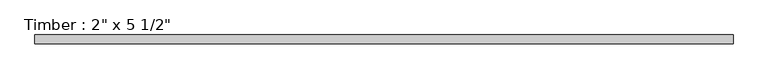
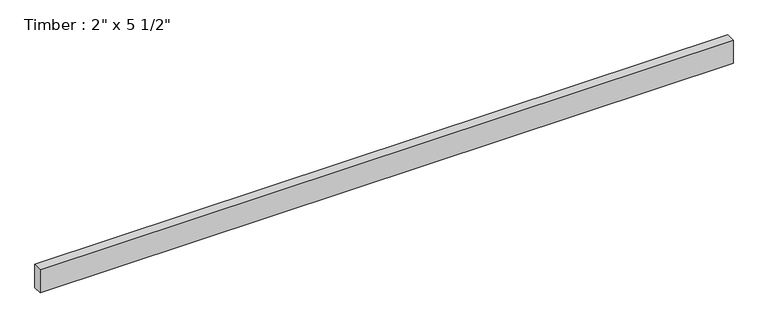
"""IFC4 building model written with IfcOpenShell, lengths in millimetres: beam geometry."""

import ifcopenshell
import ifcopenshell.guid

model = None  # the IFC model being written
_history = None  # IfcOwnerHistory: only IFC2X3 demands one
_inside = {}  # id of a spatial element -> (the spatial element, [elements in it])
_under = {}  # id of a project, library or spatial element -> (it, [spatial elements below it])
_declared = {}  # id of a project -> (the project, [libraries it declares])
_typed = {}  # id of a type object -> (the type object, [elements of that type])
_made_of = {}  # id of a material, layer set ... -> (it, [elements and type objects made of it])


def new_model(schema):
    """Start an empty IFC model of exactly this schema.

    Asked for "IFC4X3", IfcOpenShell would pick the latest addendum, in which some entities
    have other attributes; the version numbers below select the first issue.
    IFC2X3 requires an IfcOwnerHistory on every rooted entity: one is made here for all.
    """
    global model, _history
    if schema == "IFC4X3":
        model = ifcopenshell.file(schema_version=(4, 3, 0, 0))
    else:
        model = ifcopenshell.file(schema=schema)
    _inside.clear()
    _under.clear()
    _declared.clear()
    _typed.clear()
    _made_of.clear()
    _history = None
    if model.schema == "IFC2X3":
        org = make("IfcOrganization", Name="unknown")
        user = make(
            "IfcPersonAndOrganization",
            ThePerson=make("IfcPerson", FamilyName="unknown"),
            TheOrganization=org,
        )
        app = make(
            "IfcApplication",
            ApplicationDeveloper=org,
            Version="unknown",
            ApplicationFullName="unknown",
            ApplicationIdentifier="unknown",
        )
        _history = make(
            "IfcOwnerHistory",
            OwningUser=user,
            OwningApplication=app,
            ChangeAction="ADDED",
            CreationDate=0,
        )
    return model


def make(cls, **values):
    """One entity of the class cls with the attributes given. An attribute that is None is left unset."""
    return model.create_entity(
        cls, **{name: value for name, value in values.items() if value is not None}
    )


def rooted(cls, **values):
    """An entity with a GlobalId (a new one), such as an element, a storey or a relation."""
    return make(cls, GlobalId=ifcopenshell.guid.new(), OwnerHistory=_history, **values)


def si_unit(unit_type, name, prefix=None):
    """IfcSIUnit, for example si_unit("LENGTHUNIT", "METRE", prefix="MILLI")."""
    return make("IfcSIUnit", UnitType=unit_type, Prefix=prefix, Name=name)


def assignment(units):
    """IfcUnitAssignment: the units of a project."""
    return None if units is None else make("IfcUnitAssignment", Units=units)


def point(xyz):
    """IfcCartesianPoint."""
    return None if xyz is None else make("IfcCartesianPoint", Coordinates=xyz)


def direction(xyz):
    """IfcDirection."""
    return None if xyz is None else make("IfcDirection", DirectionRatios=xyz)


def frame(location, z_axis=None, x_axis=None):
    """IfcAxis2Placement3D, a coordinate frame: its origin and axes. An axis left out is left unset."""
    return make(
        "IfcAxis2Placement3D",
        Location=point(location),
        Axis=direction(z_axis),
        RefDirection=direction(x_axis),
    )


def origin():
    """The frame at (0, 0, 0) with its axes left unset."""
    return frame((0.0, 0.0, 0.0))


def place(relative_to, where):
    """IfcLocalPlacement: puts the frame where relative to a parent placement (None: the world)."""
    return make(
        "IfcLocalPlacement", PlacementRelTo=relative_to, RelativePlacement=where
    )


def context(
    kind, dimensions, precision=None, world=None, true_north=None, identifier=None
):
    """IfcGeometricRepresentationContext, for example the 3D "Model" context."""
    return make(
        "IfcGeometricRepresentationContext",
        ContextIdentifier=identifier,
        ContextType=kind,
        CoordinateSpaceDimension=dimensions,
        Precision=precision,
        WorldCoordinateSystem=world,
        TrueNorth=true_north,
    )


def project(units=None, contexts=None):
    """IfcProject with its units and contexts."""
    return rooted(
        "IfcProject",
        Name="project",
        RepresentationContexts=contexts,
        UnitsInContext=assignment(units),
    )


def spatial(cls, under=None, at=None, **own):
    """A site, building, storey or space (cls), placed at a placement, below another one or the project."""
    s = rooted(cls, ObjectPlacement=at, **own)
    if under is not None:
        _under.setdefault(under.id(), (under, []))[1].append(s)
    return s


def polyline(points):
    """IfcPolyline through the points."""
    return make("IfcPolyline", Points=[point(p) for p in points])


def outline(outer, holes=None, kind="AREA"):
    """IfcArbitraryClosedProfileDef: a profile drawn as a closed curve; with holes, ...WithVoids."""
    if holes is None:
        return make("IfcArbitraryClosedProfileDef", ProfileType=kind, OuterCurve=outer)
    return make(
        "IfcArbitraryProfileDefWithVoids",
        ProfileType=kind,
        OuterCurve=outer,
        InnerCurves=holes,
    )


def extrude(swept, where, along, depth):
    """IfcExtrudedAreaSolid: the profile swept, set in the frame where, extruded along a direction by depth."""
    return make(
        "IfcExtrudedAreaSolid",
        SweptArea=swept,
        Position=where,
        ExtrudedDirection=direction(along),
        Depth=depth,
    )


def shape(context_of_items, identifier, shape_type, items):
    """IfcShapeRepresentation: the items that make up one representation, for example the "Body"."""
    return make(
        "IfcShapeRepresentation",
        ContextOfItems=context_of_items,
        RepresentationIdentifier=identifier,
        RepresentationType=shape_type,
        Items=items,
    )


def source(mapping_origin, context_of_items, identifier, shape_type, items):
    """IfcRepresentationMap: a shape defined once, which mapped items show again and again."""
    return make(
        "IfcRepresentationMap",
        MappingOrigin=mapping_origin,
        MappedRepresentation=shape(context_of_items, identifier, shape_type, items),
    )


def transform(
    local_origin,
    x_axis=None,
    y_axis=None,
    z_axis=None,
    scale=None,
    scale2=None,
    scale3=None,
    uniform=True,
):
    """IfcCartesianTransformationOperator3D, or its non-uniform kind. x_axis, y_axis, z_axis: its Axis1, 2, 3."""
    if uniform:
        return make(
            "IfcCartesianTransformationOperator3D",
            Axis1=direction(x_axis),
            Axis2=direction(y_axis),
            LocalOrigin=point(local_origin),
            Scale=scale,
            Axis3=direction(z_axis),
        )
    return make(
        "IfcCartesianTransformationOperator3DnonUniform",
        Axis1=direction(x_axis),
        Axis2=direction(y_axis),
        LocalOrigin=point(local_origin),
        Scale=scale,
        Axis3=direction(z_axis),
        Scale2=scale2,
        Scale3=scale3,
    )


def mapped(mapping_source, mapping_target):
    """IfcMappedItem: shows the shape of a source again, moved by a transform."""
    return make(
        "IfcMappedItem", MappingSource=mapping_source, MappingTarget=mapping_target
    )


def made_of(thing, what):
    """Note that an element or type object is made of a material, layer set ...; save() writes the relation."""
    if what is not None:
        _made_of.setdefault(what.id(), (what, []))[1].append(thing)
    return thing


def element(
    cls,
    number,
    at=None,
    inside=None,
    cuts=None,
    type_object=None,
    material=None,
    context=None,
    identifier="Body",
    shape_type=None,
    held_by="IfcProductDefinitionShape",
    body=None,
    shapes=None,
    **own,
):
    """One element of the class cls, such as IfcWall. Its Tag is "e" and its number.

    at: its placement. inside: the storey or other place that contains it. cuts: it is an
    opening in that element (IfcRelVoidsElement). A single representation is given by context,
    identifier, shape_type and body (its items); several are given by shapes. held_by: the class
    of the entity that holds the representations. save() writes the other relations.
    """
    e = rooted(cls, Tag="e%d" % number, ObjectPlacement=at, **own)
    if body is not None:
        shapes = [shape(context, identifier, shape_type, body)]
    if shapes is not None:
        e.Representation = make(held_by, Representations=shapes)
    if inside is not None:
        _inside.setdefault(inside.id(), (inside, []))[1].append(e)
    if cuts is not None:
        rooted(
            "IfcRelVoidsElement", RelatingBuildingElement=cuts, RelatedOpeningElement=e
        )
    if type_object is not None:
        _typed.setdefault(type_object.id(), (type_object, []))[1].append(e)
    return made_of(e, material)


def aggregate(whole, parts):
    """IfcRelAggregates: a whole, such as a stair, and the parts it consists of."""
    return rooted("IfcRelAggregates", RelatingObject=whole, RelatedObjects=parts)


def save(model, path):
    """Write the relations noted so far, then the file.

    IfcRelAggregates (storeys below a building ...), IfcRelContainedInSpatialStructure (elements
    in a storey), IfcRelDefinesByType, IfcRelAssociatesMaterial and IfcRelDeclares: one each for
    every whole, place, type object, material and project.
    """
    for whole, parts in _under.values():
        aggregate(whole, parts)
    for where, things in _inside.values():
        rooted(
            "IfcRelContainedInSpatialStructure",
            RelatedElements=things,
            RelatingStructure=where,
        )
    for kind, things in _typed.values():
        rooted("IfcRelDefinesByType", RelatedObjects=things, RelatingType=kind)
    for what, things in _made_of.values():
        rooted("IfcRelAssociatesMaterial", RelatedObjects=things, RelatingMaterial=what)
    for by, libraries in _declared.values():
        rooted("IfcRelDeclares", RelatingContext=by, RelatedDefinitions=libraries)
    model.write(path)


def beam_addb9c58(model_context):
    return source(origin(), model_context, "Body", "SweptSolid", [
        extrude(outline(polyline([(1977.236699, 25.4), (1977.236699, -25.4), (-1977.236699, -25.4), (-1977.236699, 25.4), (1977.236699, 25.4)])), frame((0.0, 0.0, -69.85), z_axis=(0.0, 0.0, 1.0), x_axis=(1.0, 0.0, 0.0)), (0.0, 0.0, 1.0), 139.7),
    ])


if __name__ == "__main__":
    model = new_model("IFC4")
    model_context = context("Model", 3, world=origin())
    ifc_project = project(units=[si_unit("LENGTHUNIT", "METRE", prefix="MILLI")], contexts=[model_context])
    site = spatial("IfcSite", under=ifc_project)
    building = spatial("IfcBuilding", under=site)
    placement = place(None, origin())
    beam_shape = beam_addb9c58(model_context)
    element("IfcBeam", 1, ObjectType="Timber : 2\" x 5 1/2\"", at=placement, inside=building, context=model_context, shape_type="MappedRepresentation", body=[
        mapped(beam_shape, transform((0.0, 0.0, 0.0), x_axis=(1.0, 0.0, 0.0), y_axis=(0.0, 1.0, 0.0), z_axis=(0.0, 0.0, 1.0))),
    ])
    save(model, "model.ifc")
